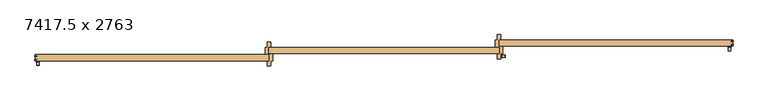
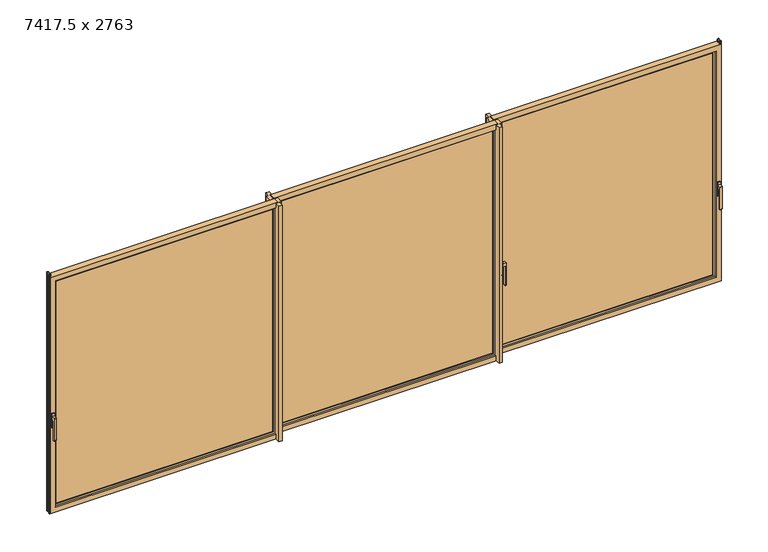
"""IFC4 building model written with IfcOpenShell, lengths in millimetres: door geometry, 7417.5 x 2763."""

from ifc_helpers import new_model, si_unit, point, frame, frame_2d, origin, place, context, project, spatial, polyline, circle_curve, trimmed, segment, composite_curve, outline, extrude, faceted_brep, source, transform, mapped, element, save
from ifc_brep_helpers import plane_surface, cylinder_surface, revolved_surface, advanced_brep


def door_7417_5_x_2763_aaa4ea98(model_context):
    return source(origin(), model_context, "Body", "SolidModel", [
        extrude(outline(composite_curve([segment(polyline([(1111.2768015, 1267.2833316), (1074.762004, 1267.2833316), (1074.762004, 1293.4897398)]), True, "CONTINUOUS"), segment(trimmed(circle_curve(frame_2d((1073.762004, 1293.4897398)), 1.0), [point((1074.762004, 1293.4897398))], [point((1073.762004, 1294.4897398))], True, "CARTESIAN"), True, "CONTINUOUS"), segment(polyline([(1073.762004, 1294.4897398), (855.7988119, 1294.4897398)]), True, "CONTINUOUS"), segment(trimmed(circle_curve(frame_2d((855.7988119, 1295.5265477)), 1.0368079), [point((855.7988119, 1294.4897398))], [point((854.762004, 1295.5265477))], False, "CARTESIAN"), True, "CONTINUOUS"), segment(polyline([(854.762004, 1295.5265477), (854.762004, 1305.2833316)]), True, "CONTINUOUS"), segment(trimmed(circle_curve(frame_2d((855.762004, 1305.2833316)), 1.0), [point((854.762004, 1305.2833316))], [point((855.762004, 1306.2833316))], False, "CARTESIAN"), True, "CONTINUOUS"), segment(polyline([(855.762004, 1306.2833316), (1110.2768015, 1306.2833316)]), True, "CONTINUOUS"), segment(trimmed(circle_curve(frame_2d((1110.2768015, 1305.2833316)), 1.0), [point((1110.2768015, 1306.2833316))], [point((1111.2768015, 1305.2833316))], False, "CARTESIAN"), True, "CONTINUOUS"), segment(polyline([(1111.2768015, 1305.2833316), (1111.2768015, 1267.2833316)]), True, "CONTINUOUS")], self_intersect=False)), frame((0.0, -88.5552339, 0.0), z_axis=(0.0, 1.0, 0.0), x_axis=(0.0, 0.0, 1.0)), (0.0, 0.0, 1.0), 25.6104678),
        extrude(outline(composite_curve([segment(trimmed(circle_curve(frame_2d((-88.6, 1139.6194028)), 3.4), [point((-92.0, 1139.6194028))], [point((-88.6, 1143.0194028))], False, "CARTESIAN"), True, "CONTINUOUS"), segment(polyline([(-88.6, 1143.0194028), (-62.9, 1143.0194028)]), True, "CONTINUOUS"), segment(trimmed(circle_curve(frame_2d((-62.9, 1139.6194028)), 3.4), [point((-62.9, 1143.0194028))], [point((-59.5, 1139.6194028))], False, "CARTESIAN"), True, "CONTINUOUS"), segment(polyline([(-59.5, 1139.6194028), (-59.5, 987.4194028)]), True, "CONTINUOUS"), segment(trimmed(circle_curve(frame_2d((-62.9, 987.4194028)), 3.4), [point((-59.5, 987.4194028))], [point((-62.9, 984.0194028))], False, "CARTESIAN"), True, "CONTINUOUS"), segment(polyline([(-62.9, 984.0194028), (-88.5559725, 984.0194028)]), True, "CONTINUOUS"), segment(trimmed(circle_curve(frame_2d((-88.5559725, 987.4634302)), 3.4440275), [point((-88.5559725, 984.0194028))], [point((-92.0, 987.4634302))], False, "CARTESIAN"), True, "CONTINUOUS"), segment(polyline([(-92.0, 987.4634302), (-92.0, 1139.6194028)]), True, "CONTINUOUS")], self_intersect=False)), frame((1256.4833316, 0.0, 0.0), z_axis=(1.0, 0.0, 0.0), x_axis=(0.0, 1.0, 0.0)), (0.0, 0.0, 1.0), 10.8),
        advanced_brep(
        [(3687.7625, 96.75, 1100.7), (3687.7625, 96.75, 910.0621417), (3682.7625, 96.75, 905.0621417), (3657.7625, 96.75, 905.0621417), (3652.7625, 96.75, 910.0621417), (3652.7625, 96.75, 1100.7), (3657.7625, 96.75, 1105.7), (3682.7625, 96.75, 1105.7), (3670.2625, 96.75, 970.1681027), (3683.3572776, 96.75, 983.2628803), (3683.3572776, 96.75, 1079.3768243), (3657.1677224, 96.75, 1079.3768243), (3657.1677224, 96.75, 983.2628803), (3687.7625, 95.75, 1100.7), (3682.7625, 95.75, 1105.7), (3657.7625, 95.75, 1105.7), (3652.7625, 95.75, 1100.7), (3652.7625, 95.75, 910.0621417), (3657.7625, 95.75, 905.0621417), (3682.7625, 95.75, 905.0621417), (3687.7625, 95.75, 910.0621417), (3684.3572776, 95.75, 1079.3768243), (3684.3572776, 95.75, 983.2628803), (3670.2625, 95.75, 969.1681027), (3656.1677224, 95.75, 983.2628803), (3656.1677224, 95.75, 1079.3768243), (3683.3572776, 86.75, 983.2628803), (3670.2625, 86.75, 970.1681027), (3657.1677224, 86.75, 983.2628803), (3657.1677224, 86.75, 1079.3768243), (3683.3572776, 86.75, 1079.3768243), (3684.3572776, 85.75, 1079.3768243), (3656.1677224, 85.75, 1079.3768243), (3656.1677224, 85.75, 983.2628803), (3670.2625, 85.75, 969.1681027), (3684.3572776, 85.75, 983.2628803)],
        [
            (0, 1),
            (1, 2, circle_curve(frame((3682.7625, 96.75, 910.0621417), z_axis=(0.0, 1.0, 0.0), x_axis=(-1.0, 0.0, 0.0)), 5.0)),
            (2, 3),
            (3, 4, circle_curve(frame((3657.7625, 96.75, 910.0621417), z_axis=(0.0, 1.0, 0.0), x_axis=(-1.0, 0.0, 0.0)), 5.0)),
            (4, 5),
            (5, 6, circle_curve(frame((3657.7625, 96.75, 1100.7), z_axis=(0.0, 1.0, 0.0), x_axis=(-1.0, 0.0, 0.0)), 5.0)),
            (6, 7),
            (7, 0, circle_curve(frame((3682.7625, 96.75, 1100.7), z_axis=(0.0, 1.0, 0.0), x_axis=(-1.0, 0.0, 0.0)), 5.0)),
            (8, 9, circle_curve(frame((3670.2625, 96.75, 983.2628803), z_axis=(0.0, -1.0, 0.0), x_axis=(-1.0, 0.0, 0.0)), 13.0947776)),
            (9, 10),
            (10, 11, circle_curve(frame((3670.2625, 96.75, 1079.3768243), z_axis=(0.0, -1.0, 0.0), x_axis=(-1.0, 0.0, 0.0)), 13.0947776)),
            (11, 12),
            (12, 8, circle_curve(frame((3670.2625, 96.75, 983.2628803), z_axis=(0.0, -1.0, 0.0), x_axis=(-1.0, 0.0, 0.0)), 13.0947776)),
            (13, 14, circle_curve(frame((3682.7625, 95.75, 1100.7), z_axis=(0.0, -1.0, 0.0), x_axis=(-1.0, 0.0, 0.0)), 5.0)),
            (14, 15),
            (15, 16, circle_curve(frame((3657.7625, 95.75, 1100.7), z_axis=(0.0, -1.0, 0.0), x_axis=(-1.0, 0.0, 0.0)), 5.0)),
            (16, 17),
            (17, 18, circle_curve(frame((3657.7625, 95.75, 910.0621417), z_axis=(0.0, -1.0, 0.0), x_axis=(-1.0, 0.0, 0.0)), 5.0)),
            (18, 19),
            (19, 20, circle_curve(frame((3682.7625, 95.75, 910.0621417), z_axis=(0.0, -1.0, 0.0), x_axis=(-1.0, 0.0, 0.0)), 5.0)),
            (20, 13),
            (21, 22),
            (22, 23, circle_curve(frame((3670.2625, 95.75, 983.2628803), z_axis=(0.0, 1.0, 0.0), x_axis=(-1.0, 0.0, 0.0)), 14.0947776)),
            (23, 24, circle_curve(frame((3670.2625, 95.75, 983.2628803), z_axis=(0.0, 1.0, 0.0), x_axis=(-1.0, 0.0, 0.0)), 14.0947776)),
            (24, 25),
            (25, 21, circle_curve(frame((3670.2625, 95.75, 1079.3768243), z_axis=(0.0, 1.0, 0.0), x_axis=(-1.0, 0.0, 0.0)), 14.0947776)),
            (0, 13),
            (20, 1),
            (19, 2),
            (18, 3),
            (17, 4),
            (16, 5),
            (15, 6),
            (14, 7),
            (26, 27, circle_curve(frame((3670.2625, 86.75, 983.2628803), z_axis=(0.0, 1.0, 0.0), x_axis=(-1.0, 0.0, 0.0)), 13.0947776)),
            (27, 28, circle_curve(frame((3670.2625, 86.75, 983.2628803), z_axis=(0.0, 1.0, 0.0), x_axis=(-1.0, 0.0, 0.0)), 13.0947776)),
            (28, 29),
            (29, 30, circle_curve(frame((3670.2625, 86.75, 1079.3768243), z_axis=(0.0, 1.0, 0.0), x_axis=(-1.0, 0.0, 0.0)), 13.0947776)),
            (30, 26),
            (26, 9),
            (8, 27),
            (12, 28),
            (11, 29),
            (10, 30),
            (31, 32, circle_curve(frame((3670.2625, 85.75, 1079.3768243), z_axis=(0.0, -1.0, 0.0), x_axis=(-1.0, 0.0, 0.0)), 14.0947776)),
            (32, 33),
            (33, 34, circle_curve(frame((3670.2625, 85.75, 983.2628803), z_axis=(0.0, -1.0, 0.0), x_axis=(-1.0, 0.0, 0.0)), 14.0947776)),
            (34, 35, circle_curve(frame((3670.2625, 85.75, 983.2628803), z_axis=(0.0, -1.0, 0.0), x_axis=(-1.0, 0.0, 0.0)), 14.0947776)),
            (35, 31),
            (35, 22),
            (21, 31),
            (34, 23),
            (33, 24),
            (32, 25),
        ],
        [
            plane_surface(frame((3687.7625, 96.75, 1100.7), z_axis=(0.0, 1.0, 0.0), x_axis=(0.0, 0.0, -1.0))),
            plane_surface(frame((3687.7625, 95.75, 1100.7), z_axis=(0.0, -1.0, 0.0), x_axis=(0.0, 0.0, 1.0))),
            plane_surface(frame((3687.7625, 96.75, 1100.7), z_axis=(1.0, 0.0, 0.0), x_axis=(0.0, -1.0, 0.0))),
            cylinder_surface(frame((3682.7625, 95.75, 910.0621417), z_axis=(0.0, 1.0, 0.0), x_axis=(-1.0, 0.0, 0.0)), 5.0),
            plane_surface(frame((3682.7625, 96.75, 905.0621417), z_axis=(0.0, 0.0, -1.0), x_axis=(0.0, -1.0, 0.0))),
            cylinder_surface(frame((3657.7625, 95.75, 910.0621417), z_axis=(0.0, 1.0, 0.0), x_axis=(-1.0, 0.0, 0.0)), 5.0),
            plane_surface(frame((3652.7625, 96.75, 910.0621417), z_axis=(-1.0, 0.0, 0.0), x_axis=(0.0, -1.0, 0.0))),
            cylinder_surface(frame((3657.7625, 95.75, 1100.7), z_axis=(0.0, 1.0, 0.0), x_axis=(-1.0, 0.0, 0.0)), 5.0),
            plane_surface(frame((3657.7625, 96.75, 1105.7), z_axis=(0.0, 0.0, 1.0), x_axis=(0.0, -1.0, 0.0))),
            cylinder_surface(frame((3682.7625, 95.75, 1100.7), z_axis=(0.0, 1.0, 0.0), x_axis=(-1.0, 0.0, 0.0)), 5.0),
            plane_surface(frame((3657.1677224, 86.75, 983.2628803), z_axis=(0.0, 1.0, 0.0), x_axis=(0.0, 0.0, -1.0))),
            revolved_surface(polyline([(3657.1677224, 96.75, 983.2628803), (3657.1677224, 86.75, 983.2628803)]), (3670.2625, 86.75, 983.2628803), (0.0, 1.0, 0.0)),
            plane_surface(frame((3657.1677224, 100.7306799, 983.2628803), z_axis=(1.0, 0.0, 0.0), x_axis=(0.0, -1.0, 0.0))),
            revolved_surface(polyline([(3657.1677224, 96.75, 1079.3768243), (3657.1677224, 86.75, 1079.3768243)]), (3670.2625, 86.75, 1079.3768243), (0.0, 1.0, 0.0)),
            plane_surface(frame((3683.3572776, 100.7306799, 1079.3768243), z_axis=(-1.0, 0.0, 0.0), x_axis=(0.0, -1.0, 0.0))),
            plane_surface(frame((3684.3572776, 85.75, 1079.3768243), z_axis=(0.0, -1.0, 0.0), x_axis=(0.0, 0.0, 1.0))),
            plane_surface(frame((3684.3572776, 96.75, 1079.3768243), z_axis=(1.0, 0.0, 0.0), x_axis=(0.0, -1.0, 0.0))),
            cylinder_surface(frame((3670.2625, 85.75, 983.2628803), z_axis=(0.0, 1.0, 0.0), x_axis=(-1.0, 0.0, 0.0)), 14.0947776),
            plane_surface(frame((3656.1677224, 96.75, 983.2628803), z_axis=(-1.0, 0.0, 0.0), x_axis=(0.0, -1.0, 0.0))),
            cylinder_surface(frame((3670.2625, 85.75, 1079.3768243), z_axis=(0.0, 1.0, 0.0), x_axis=(-1.0, 0.0, 0.0)), 14.0947776),
        ],
        [
            (0, [[1, 2, 3, 4, 5, 6, 7, 8], [9, 10, 11, 12, 13]]),
            (1, [[14, 15, 16, 17, 18, 19, 20, 21], [22, 23, 24, 25, 26]]),
            (2, [[-1, 27, -21, 28]]),
            (3, [[-2, -28, -20, 29]]),
            (4, [[-3, -29, -19, 30]]),
            (5, [[-4, -30, -18, 31]]),
            (6, [[-5, -31, -17, 32]]),
            (7, [[-6, -32, -16, 33]]),
            (8, [[-7, -33, -15, 34]]),
            (9, [[-8, -34, -14, -27]]),
            (10, [[35, 36, 37, 38, 39]]),
            (11, [[-35, 40, -9, 41]]),
            (11, [[-36, -41, -13, 42]]),
            (12, [[-37, -42, -12, 43]]),
            (13, [[-38, -43, -11, 44]]),
            (14, [[-39, -44, -10, -40]]),
            (15, [[45, 46, 47, 48, 49]]),
            (16, [[-49, 50, -22, 51]]),
            (17, [[-48, 52, -23, -50]]),
            (17, [[-47, 53, -24, -52]]),
            (18, [[-46, 54, -25, -53]]),
            (19, [[-45, -51, -26, -54]]),
        ],
    ),
        advanced_brep(
        [(-3604.6349701, -58.55, 1100.7), (-3604.6349701, -58.55, 910.0621417), (-3609.6349701, -58.55, 905.0621417), (-3634.6349701, -58.55, 905.0621417), (-3639.6349701, -58.55, 910.0621417), (-3639.6349701, -58.55, 1100.7), (-3634.6349701, -58.55, 1105.7), (-3609.6349701, -58.55, 1105.7), (-3622.1349701, -58.55, 970.1681027), (-3609.0401925, -58.55, 983.2628803), (-3609.0401925, -58.55, 1079.3768243), (-3635.2297477, -58.55, 1079.3768243), (-3635.2297477, -58.55, 983.2628803), (-3604.6349701, -59.55, 1100.7), (-3609.6349701, -59.55, 1105.7), (-3634.6349701, -59.55, 1105.7), (-3639.6349701, -59.55, 1100.7), (-3639.6349701, -59.55, 910.0621417), (-3634.6349701, -59.55, 905.0621417), (-3609.6349701, -59.55, 905.0621417), (-3604.6349701, -59.55, 910.0621417), (-3608.0401925, -59.55, 1079.3768243), (-3608.0401925, -59.55, 983.2628803), (-3622.1349701, -59.55, 969.1681027), (-3636.2297477, -59.55, 983.2628803), (-3636.2297477, -59.55, 1079.3768243), (-3609.0401925, -68.55, 983.2628803), (-3622.1349701, -68.55, 970.1681027), (-3635.2297477, -68.55, 983.2628803), (-3635.2297477, -68.55, 1079.3768243), (-3609.0401925, -68.55, 1079.3768243), (-3608.0401925, -69.55, 1079.3768243), (-3636.2297477, -69.55, 1079.3768243), (-3636.2297477, -69.55, 983.2628803), (-3622.1349701, -69.55, 969.1681027), (-3608.0401925, -69.55, 983.2628803)],
        [
            (0, 1),
            (1, 2, circle_curve(frame((-3609.6349701, -58.55, 910.0621417), z_axis=(0.0, 1.0, 0.0), x_axis=(-1.0, 0.0, 0.0)), 5.0)),
            (2, 3),
            (3, 4, circle_curve(frame((-3634.6349701, -58.55, 910.0621417), z_axis=(0.0, 1.0, 0.0), x_axis=(-1.0, 0.0, 0.0)), 5.0)),
            (4, 5),
            (5, 6, circle_curve(frame((-3634.6349701, -58.55, 1100.7), z_axis=(0.0, 1.0, 0.0), x_axis=(-1.0, 0.0, 0.0)), 5.0)),
            (6, 7),
            (7, 0, circle_curve(frame((-3609.6349701, -58.55, 1100.7), z_axis=(0.0, 1.0, 0.0), x_axis=(-1.0, 0.0, 0.0)), 5.0)),
            (8, 9, circle_curve(frame((-3622.1349701, -58.55, 983.2628803), z_axis=(0.0, -1.0, 0.0), x_axis=(-1.0, 0.0, 0.0)), 13.0947776)),
            (9, 10),
            (10, 11, circle_curve(frame((-3622.1349701, -58.55, 1079.3768243), z_axis=(0.0, -1.0, 0.0), x_axis=(-1.0, 0.0, 0.0)), 13.0947776)),
            (11, 12),
            (12, 8, circle_curve(frame((-3622.1349701, -58.55, 983.2628803), z_axis=(0.0, -1.0, 0.0), x_axis=(-1.0, 0.0, 0.0)), 13.0947776)),
            (13, 14, circle_curve(frame((-3609.6349701, -59.55, 1100.7), z_axis=(0.0, -1.0, 0.0), x_axis=(-1.0, 0.0, 0.0)), 5.0)),
            (14, 15),
            (15, 16, circle_curve(frame((-3634.6349701, -59.55, 1100.7), z_axis=(0.0, -1.0, 0.0), x_axis=(-1.0, 0.0, 0.0)), 5.0)),
            (16, 17),
            (17, 18, circle_curve(frame((-3634.6349701, -59.55, 910.0621417), z_axis=(0.0, -1.0, 0.0), x_axis=(-1.0, 0.0, 0.0)), 5.0)),
            (18, 19),
            (19, 20, circle_curve(frame((-3609.6349701, -59.55, 910.0621417), z_axis=(0.0, -1.0, 0.0), x_axis=(-1.0, 0.0, 0.0)), 5.0)),
            (20, 13),
            (21, 22),
            (22, 23, circle_curve(frame((-3622.1349701, -59.55, 983.2628803), z_axis=(0.0, 1.0, 0.0), x_axis=(-1.0, 0.0, 0.0)), 14.0947776)),
            (23, 24, circle_curve(frame((-3622.1349701, -59.55, 983.2628803), z_axis=(0.0, 1.0, 0.0), x_axis=(-1.0, 0.0, 0.0)), 14.0947776)),
            (24, 25),
            (25, 21, circle_curve(frame((-3622.1349701, -59.55, 1079.3768243), z_axis=(0.0, 1.0, 0.0), x_axis=(-1.0, 0.0, 0.0)), 14.0947776)),
            (0, 13),
            (20, 1),
            (19, 2),
            (18, 3),
            (17, 4),
            (16, 5),
            (15, 6),
            (14, 7),
            (26, 27, circle_curve(frame((-3622.1349701, -68.55, 983.2628803), z_axis=(0.0, 1.0, 0.0), x_axis=(-1.0, 0.0, 0.0)), 13.0947776)),
            (27, 28, circle_curve(frame((-3622.1349701, -68.55, 983.2628803), z_axis=(0.0, 1.0, 0.0), x_axis=(-1.0, 0.0, 0.0)), 13.0947776)),
            (28, 29),
            (29, 30, circle_curve(frame((-3622.1349701, -68.55, 1079.3768243), z_axis=(0.0, 1.0, 0.0), x_axis=(-1.0, 0.0, 0.0)), 13.0947776)),
            (30, 26),
            (26, 9),
            (8, 27),
            (12, 28),
            (11, 29),
            (10, 30),
            (31, 32, circle_curve(frame((-3622.1349701, -69.55, 1079.3768243), z_axis=(0.0, -1.0, 0.0), x_axis=(-1.0, 0.0, 0.0)), 14.0947776)),
            (32, 33),
            (33, 34, circle_curve(frame((-3622.1349701, -69.55, 983.2628803), z_axis=(0.0, -1.0, 0.0), x_axis=(-1.0, 0.0, 0.0)), 14.0947776)),
            (34, 35, circle_curve(frame((-3622.1349701, -69.55, 983.2628803), z_axis=(0.0, -1.0, 0.0), x_axis=(-1.0, 0.0, 0.0)), 14.0947776)),
            (35, 31),
            (35, 22),
            (21, 31),
            (34, 23),
            (33, 24),
            (32, 25),
        ],
        [
            plane_surface(frame((-3604.6349701, -58.55, 1100.7), z_axis=(0.0, 1.0, 0.0), x_axis=(0.0, 0.0, -1.0))),
            plane_surface(frame((-3604.6349701, -59.55, 1100.7), z_axis=(0.0, -1.0, 0.0), x_axis=(0.0, 0.0, 1.0))),
            plane_surface(frame((-3604.6349701, -58.55, 1100.7), z_axis=(1.0, 0.0, 0.0), x_axis=(0.0, -1.0, 0.0))),
            cylinder_surface(frame((-3609.6349701, -59.55, 910.0621417), z_axis=(0.0, 1.0, 0.0), x_axis=(-1.0, 0.0, 0.0)), 5.0),
            plane_surface(frame((-3609.6349701, -58.55, 905.0621417), z_axis=(0.0, 0.0, -1.0), x_axis=(0.0, -1.0, 0.0))),
            cylinder_surface(frame((-3634.6349701, -59.55, 910.0621417), z_axis=(0.0, 1.0, 0.0), x_axis=(-1.0, 0.0, 0.0)), 5.0),
            plane_surface(frame((-3639.6349701, -58.55, 910.0621417), z_axis=(-1.0, 0.0, 0.0), x_axis=(0.0, -1.0, 0.0))),
            cylinder_surface(frame((-3634.6349701, -59.55, 1100.7), z_axis=(0.0, 1.0, 0.0), x_axis=(-1.0, 0.0, 0.0)), 5.0),
            plane_surface(frame((-3634.6349701, -58.55, 1105.7), z_axis=(0.0, 0.0, 1.0), x_axis=(0.0, -1.0, 0.0))),
            cylinder_surface(frame((-3609.6349701, -59.55, 1100.7), z_axis=(0.0, 1.0, 0.0), x_axis=(-1.0, 0.0, 0.0)), 5.0),
            plane_surface(frame((-3635.2297477, -68.55, 983.2628803), z_axis=(0.0, 1.0, 0.0), x_axis=(0.0, 0.0, -1.0))),
            revolved_surface(polyline([(-3635.2297476999997, -58.55, 983.2628803), (-3635.2297476999997, -68.55, 983.2628803)]), (-3622.1349701, -68.55, 983.2628803), (0.0, 1.0, 0.0)),
            plane_surface(frame((-3635.2297477, -54.5693201, 983.2628803), z_axis=(1.0, 0.0, 0.0), x_axis=(0.0, -1.0, 0.0))),
            revolved_surface(polyline([(-3635.2297476999997, -58.55, 1079.3768243), (-3635.2297476999997, -68.55, 1079.3768243)]), (-3622.1349701, -68.55, 1079.3768243), (0.0, 1.0, 0.0)),
            plane_surface(frame((-3609.0401925, -54.5693201, 1079.3768243), z_axis=(-1.0, 0.0, 0.0), x_axis=(0.0, -1.0, 0.0))),
            plane_surface(frame((-3608.0401925, -69.55, 1079.3768243), z_axis=(0.0, -1.0, 0.0), x_axis=(0.0, 0.0, 1.0))),
            plane_surface(frame((-3608.0401925, -58.55, 1079.3768243), z_axis=(1.0, 0.0, 0.0), x_axis=(0.0, -1.0, 0.0))),
            cylinder_surface(frame((-3622.1349701, -69.55, 983.2628803), z_axis=(0.0, 1.0, 0.0), x_axis=(-1.0, 0.0, 0.0)), 14.0947776),
            plane_surface(frame((-3636.2297477, -58.55, 983.2628803), z_axis=(-1.0, 0.0, 0.0), x_axis=(0.0, -1.0, 0.0))),
            cylinder_surface(frame((-3622.1349701, -69.55, 1079.3768243), z_axis=(0.0, 1.0, 0.0), x_axis=(-1.0, 0.0, 0.0)), 14.0947776),
        ],
        [
            (0, [[1, 2, 3, 4, 5, 6, 7, 8], [9, 10, 11, 12, 13]]),
            (1, [[14, 15, 16, 17, 18, 19, 20, 21], [22, 23, 24, 25, 26]]),
            (2, [[-1, 27, -21, 28]]),
            (3, [[-2, -28, -20, 29]]),
            (4, [[-3, -29, -19, 30]]),
            (5, [[-4, -30, -18, 31]]),
            (6, [[-5, -31, -17, 32]]),
            (7, [[-6, -32, -16, 33]]),
            (8, [[-7, -33, -15, 34]]),
            (9, [[-8, -34, -14, -27]]),
            (10, [[35, 36, 37, 38, 39]]),
            (11, [[-35, 40, -9, 41]]),
            (11, [[-36, -41, -13, 42]]),
            (12, [[-37, -42, -12, 43]]),
            (13, [[-38, -43, -11, 44]]),
            (14, [[-39, -44, -10, -40]]),
            (15, [[45, 46, 47, 48, 49]]),
            (16, [[-49, 50, -22, 51]]),
            (17, [[-48, 52, -23, -50]]),
            (17, [[-47, 53, -24, -52]]),
            (18, [[-46, 54, -25, -53]]),
            (19, [[-45, -51, -26, -54]]),
        ],
    ),
        extrude(outline(composite_curve([segment(polyline([(19.0490678, 1111.2768015), (19.0490678, 1074.762004), (-7.1573405, 1074.762004)]), True, "CONTINUOUS"), segment(trimmed(circle_curve(frame_2d((-7.1573405, 1073.762004)), 1.0), [point((-7.1573405, 1074.762004))], [point((-8.1573405, 1073.762004))], True, "CARTESIAN"), True, "CONTINUOUS"), segment(polyline([(-8.1573405, 1073.762004), (-8.1573405, 855.7988119)]), True, "CONTINUOUS"), segment(trimmed(circle_curve(frame_2d((-9.1941483, 855.7988119)), 1.0368079), [point((-8.1573405, 855.7988119))], [point((-9.1941483, 854.762004))], False, "CARTESIAN"), True, "CONTINUOUS"), segment(polyline([(-9.1941483, 854.762004), (-18.9509322, 854.762004)]), True, "CONTINUOUS"), segment(trimmed(circle_curve(frame_2d((-18.9509322, 855.762004)), 1.0), [point((-18.9509322, 854.762004))], [point((-19.9509322, 855.762004))], False, "CARTESIAN"), True, "CONTINUOUS"), segment(polyline([(-19.9509322, 855.762004), (-19.9509322, 1110.2768015)]), True, "CONTINUOUS"), segment(trimmed(circle_curve(frame_2d((-18.9509322, 1110.2768015)), 1.0), [point((-19.9509322, 1110.2768015))], [point((-18.9509322, 1111.2768015))], False, "CARTESIAN"), True, "CONTINUOUS"), segment(polyline([(-18.9509322, 1111.2768015), (19.0490678, 1111.2768015)]), True, "CONTINUOUS")], self_intersect=False)), frame((3657.4572661, 0.0, 0.0), z_axis=(1.0, 0.0, 0.0), x_axis=(0.0, 1.0, 0.0)), (0.0, 0.0, 1.0), 25.6104678),
        extrude(outline(composite_curve([segment(polyline([(1139.6194028, 3654.0125), (987.4634302, 3654.0125)]), True, "CONTINUOUS"), segment(trimmed(circle_curve(frame_2d((987.4634302, 3657.4565275)), 3.4440275), [point((987.4634302, 3654.0125))], [point((984.0194028, 3657.4565275))], False, "CARTESIAN"), True, "CONTINUOUS"), segment(polyline([(984.0194028, 3657.4565275), (984.0194028, 3683.1125)]), True, "CONTINUOUS"), segment(trimmed(circle_curve(frame_2d((987.4194028, 3683.1125)), 3.4), [point((984.0194028, 3683.1125))], [point((987.4194028, 3686.5125))], False, "CARTESIAN"), True, "CONTINUOUS"), segment(polyline([(987.4194028, 3686.5125), (1139.6194028, 3686.5125)]), True, "CONTINUOUS"), segment(trimmed(circle_curve(frame_2d((1139.6194028, 3683.1125)), 3.4), [point((1139.6194028, 3686.5125))], [point((1143.0194028, 3683.1125))], False, "CARTESIAN"), True, "CONTINUOUS"), segment(polyline([(1143.0194028, 3683.1125), (1143.0194028, 3657.4125)]), True, "CONTINUOUS"), segment(trimmed(circle_curve(frame_2d((1139.6194028, 3657.4125)), 3.4), [point((1143.0194028, 3657.4125))], [point((1139.6194028, 3654.0125))], False, "CARTESIAN"), True, "CONTINUOUS")], self_intersect=False)), frame((0.0, 19.0490678, 0.0), z_axis=(0.0, 1.0, 0.0), x_axis=(0.0, 0.0, 1.0)), (0.0, 0.0, 1.0), 10.8),
        extrude(outline(composite_curve([segment(polyline([(-137.05, 1111.2768015), (-137.05, 1074.762004), (-163.2564082, 1074.762004)]), True, "CONTINUOUS"), segment(trimmed(circle_curve(frame_2d((-163.2564082, 1073.762004)), 1.0), [point((-163.2564082, 1074.762004))], [point((-164.2564082, 1073.762004))], True, "CARTESIAN"), True, "CONTINUOUS"), segment(polyline([(-164.2564082, 1073.762004), (-164.2564082, 855.7988119)]), True, "CONTINUOUS"), segment(trimmed(circle_curve(frame_2d((-165.2932161, 855.7988119)), 1.0368079), [point((-164.2564082, 855.7988119))], [point((-165.2932161, 854.762004))], False, "CARTESIAN"), True, "CONTINUOUS"), segment(polyline([(-165.2932161, 854.762004), (-175.05, 854.762004)]), True, "CONTINUOUS"), segment(trimmed(circle_curve(frame_2d((-175.05, 855.762004)), 1.0), [point((-175.05, 854.762004))], [point((-176.05, 855.762004))], False, "CARTESIAN"), True, "CONTINUOUS"), segment(polyline([(-176.05, 855.762004), (-176.05, 1110.2768015)]), True, "CONTINUOUS"), segment(trimmed(circle_curve(frame_2d((-175.05, 1110.2768015)), 1.0), [point((-176.05, 1110.2768015))], [point((-175.05, 1111.2768015))], False, "CARTESIAN"), True, "CONTINUOUS"), segment(polyline([(-175.05, 1111.2768015), (-137.05, 1111.2768015)]), True, "CONTINUOUS")], self_intersect=False)), frame((-3634.940204, 0.0, 0.0), z_axis=(1.0, 0.0, 0.0), x_axis=(0.0, 1.0, 0.0)), (0.0, 0.0, 1.0), 25.6104678),
        extrude(outline(composite_curve([segment(polyline([(1139.6194028, -3638.3849701), (987.4634302, -3638.3849701)]), True, "CONTINUOUS"), segment(trimmed(circle_curve(frame_2d((987.4634302, -3634.9409426)), 3.4440275), [point((987.4634302, -3638.3849701))], [point((984.0194028, -3634.9409426))], False, "CARTESIAN"), True, "CONTINUOUS"), segment(polyline([(984.0194028, -3634.9409426), (984.0194028, -3609.2849701)]), True, "CONTINUOUS"), segment(trimmed(circle_curve(frame_2d((987.4194028, -3609.2849701)), 3.4), [point((984.0194028, -3609.2849701))], [point((987.4194028, -3605.8849701))], False, "CARTESIAN"), True, "CONTINUOUS"), segment(polyline([(987.4194028, -3605.8849701), (1139.6194028, -3605.8849701)]), True, "CONTINUOUS"), segment(trimmed(circle_curve(frame_2d((1139.6194028, -3609.2849701)), 3.4), [point((1139.6194028, -3605.8849701))], [point((1143.0194028, -3609.2849701))], False, "CARTESIAN"), True, "CONTINUOUS"), segment(polyline([(1143.0194028, -3609.2849701), (1143.0194028, -3634.9849701)]), True, "CONTINUOUS"), segment(trimmed(circle_curve(frame_2d((1139.6194028, -3634.9849701)), 3.4), [point((1143.0194028, -3634.9849701))], [point((1139.6194028, -3638.3849701))], False, "CARTESIAN"), True, "CONTINUOUS")], self_intersect=False)), frame((0.0, -137.05, 0.0), z_axis=(0.0, 1.0, 0.0), x_axis=(0.0, 0.0, 1.0)), (0.0, 0.0, 1.0), 10.8),
        faceted_brep([(-1195.983332, -51.75, 2693.0159868), (-1195.983332, -48.25, 2693.0159868), (-1186.6833325, -48.25, 2693.0159868), (-1186.6833325, 17.75, 2693.0159868), (-1166.7833307, 17.75, 2693.0159868), (-1166.7833307, 72.75, 2693.0159868), (-1204.0833307, 72.75, 2693.0159868), (-1204.0833307, 17.75, 2693.0159868), (-1226.583332, 17.75, 2693.0159868), (-1226.583332, -56.25, 2693.0159868), (-1206.483332, -56.25, 2693.0159868), (-1206.483332, -50.55, 2693.0159868), (-1201.983332, -50.55, 2693.0159868), (-1201.983332, -56.75, 2693.0159868), (-1177.383332, -56.75, 2693.0159868), (-1177.383332, -60.25, 2693.0159868), (-1186.6833325, -60.25, 2693.0159868), (-1186.6833325, -125.75, 2693.0159868), (-1206.4213881, -125.75, 2693.0159868), (-1206.4213881, -181.25, 2693.0159868), (-1169.2833333, -181.25, 2693.0159868), (-1169.2833333, -126.25, 2693.0159868), (-1146.7833316, -126.25, 2693.0159868), (-1146.7833316, -51.75, 2693.0159868), (-1195.983332, -51.75, 0.0), (-1146.7833316, -51.75, 0.0), (-1146.7833316, -126.25, 0.0), (-1169.2833333, -126.25, 0.0), (-1169.2833333, -181.25, 0.0), (-1206.4213881, -181.25, 0.0), (-1206.4213881, -125.75, 0.0), (-1186.6833325, -125.75, 0.0), (-1186.6833325, -60.25, 0.0), (-1177.383332, -60.25, 0.0), (-1177.383332, -56.75, 0.0), (-1201.983332, -56.75, 0.0), (-1201.983332, -50.55, 0.0), (-1206.483332, -50.55, 0.0), (-1206.483332, -56.25, 0.0), (-1226.583332, -56.25, 0.0), (-1226.583332, 17.75, 0.0), (-1204.0833307, 17.75, 0.0), (-1204.0833307, 72.75, 0.0), (-1166.7833307, 72.75, 0.0), (-1166.7833307, 17.75, 0.0), (-1186.6833325, 17.75, 0.0), (-1186.6833325, -48.25, 0.0), (-1195.983332, -48.25, 0.0), (-1186.6833325, -60.25, 74.9840136), (-1226.4213885, -60.25, 74.9840136), (-1226.4213885, -60.25, 2621.0159864), (-1186.6833325, -60.25, 2621.0159864), (-1226.5833333, -107.15, 74.9840136), (-1226.5833333, -107.15, 2621.0159864), (-1226.5833333, -96.937875, 2621.0159864), (-1226.5833333, -96.937875, 74.9840136), (-1226.4213885, -72.437875, 74.9840136), (-1226.4213885, -72.437875, 59.9841018), (-1226.4213885, -72.937875, 59.9841018), (-1226.4213885, -72.937875, 2636.0158982), (-1226.4213885, -72.437875, 2636.0158982), (-1226.4213885, -72.437875, 2621.0159864), (-1211.4213885, -72.937875, 59.9841018), (-1211.4213885, -72.937875, 2636.0158982), (-1211.4213885, -96.437875, 59.9841018), (-1211.4213885, -96.437875, 74.9840136), (-1211.4213885, -96.937875, 74.9840136), (-1211.4213885, -96.937875, 2621.0159864), (-1211.4213885, -96.437875, 2621.0159864), (-1211.4213885, -96.437875, 2636.0158982), (-1206.4213881, -125.75, 2641.0), (-1206.4213881, -107.15, 2641.0), (-1206.4213881, -107.15, 55.0), (-1206.4213881, -125.75, 55.0), (-1186.6833325, -48.25, -2.0159868), (1239.0833327, -48.25, -2.0159868), (1239.0833327, -48.25, 0.0), (1219.3452769, -48.25, 0.0), (1219.3452769, -48.25, 55.0), (-1146.783332, -48.25, 55.0), (-1146.783332, -48.25, 2641.0), (1219.3452769, -48.25, 2641.0), (1219.3452769, -48.25, 2693.0159868), (1239.0833327, -48.25, 2693.0159868), (1239.0833327, -48.25, 2698.0159868), (-1186.6833325, -48.25, 2698.0159868), (-1146.783332, -28.65, 55.0), (-1146.783332, -28.65, 74.9840136), (-1146.783332, -18.5369427, 74.9840136), (-1146.783332, -18.5369427, 2621.0159864), (-1146.783332, -28.65, 2621.0159864), (-1146.783332, -28.65, 2641.0), (-1161.783332, -18.5369427, 2636.0158982), (-1161.783332, -18.5369427, 59.9841018), (-1161.783332, 5.4630573, 59.9841018), (-1161.783332, 5.4630573, 2636.0158982), (-1146.7833316, 5.4630573, 2621.0159864), (-1146.7833316, 5.4630573, 74.9840136), (-1146.7833316, 17.75, 74.9840136), (-1146.7833316, 17.75, 2621.0159864), (-1186.6833325, -59.75, -2.0159868), (-1186.6833325, -59.75, 74.9840136), (-1186.6833325, -125.75, -2.0159868), (-1186.6833325, -59.75, 2698.0159868), (-1186.6833325, -125.75, 2698.0159868), (-1186.6833325, -59.75, 2621.0159864), (-3649.4659868, -59.75, 2698.0159868), (-3649.4659868, -125.75, 2698.0159868), (-3649.4659868, -59.75, -2.0159868), (-3649.4659868, -125.75, -2.0159868), (-3572.4659864, -59.75, 2621.0159864), (-3572.4659864, -59.75, 74.9840136), (-3637.7416775, -59.75, 963.0), (-3606.5510283, -59.75, 963.0), (-3606.5510283, -59.75, 1108.0), (-3637.7416775, -59.75, 1108.0), (-3592.45, -125.75, 55.0), (-3592.45, -125.75, 2641.0), (-3572.4659864, -72.437875, 74.9840136), (-3572.4659864, -72.437875, 2621.0159864), (-3587.4658982, -72.437875, 2636.0158982), (-3587.4658982, -72.437875, 59.9841018), (-3587.4658982, -96.437875, 59.9841018), (-3592.45, -107.15, 2641.0), (-3592.45, -107.15, 55.0), (-3572.4659864, -107.15, 74.9840136), (-3572.4659864, -107.15, 2621.0159864), (-3587.4658982, -96.437875, 2636.0158982), (-3572.4659864, -96.437875, 2621.0159864), (-3572.4659864, -96.437875, 74.9840136), (1229.7833329, 26.25, 2693.0159868), (1229.7833329, 29.8490678, 2693.0159868), (1239.0833327, 29.8490678, 2693.0159868), (1239.0833327, 95.8490678, 2693.0159868), (1258.9833342, 95.8490678, 2693.0159868), (1258.9833342, 150.75, 2693.0159868), (1221.6833342, 150.75, 2693.0159868), (1221.6833342, 95.75, 2693.0159868), (1199.1833329, 95.75, 2693.0159868), (1199.1833329, 21.75, 2693.0159868), (1219.2833329, 21.75, 2693.0159868), (1219.2833329, 27.45, 2693.0159868), (1223.7833329, 27.45, 2693.0159868), (1223.7833329, 21.25, 2693.0159868), (1248.3833329, 21.25, 2693.0159868), (1248.3833329, 17.75, 2693.0159868), (1239.0833327, 17.75, 2693.0159868), (1219.3452769, -103.25, 2693.0159868), (1256.4833316, -103.25, 2693.0159868), (1256.4833316, -48.25, 2693.0159868), (1278.9833333, -48.25, 2693.0159868), (1278.9833333, 26.25, 2693.0159868), (1229.7833329, 26.25, 0.0), (1278.9833333, 26.25, 0.0), (1278.9833333, -48.25, 0.0), (1256.4833316, -48.25, 0.0), (1256.4833316, -103.25, 0.0), (1219.3452769, -103.25, 0.0), (1239.0833327, 17.75, 0.0), (1248.3833329, 17.75, 0.0), (1248.3833329, 21.25, 0.0), (1223.7833329, 21.25, 0.0), (1223.7833329, 27.45, 0.0), (1219.2833329, 27.45, 0.0), (1219.2833329, 21.75, 0.0), (1199.1833329, 21.75, 0.0), (1199.1833329, 95.75, 0.0), (1221.6833342, 95.75, 0.0), (1221.6833342, 150.75, 0.0), (1258.9833342, 150.75, 0.0), (1258.9833342, 95.8490678, 0.0), (1239.0833327, 95.8490678, 0.0), (1239.0833327, 29.8490678, 0.0), (1229.7833329, 29.8490678, 0.0), (1278.9833329, 59.562125, 74.9840136), (1278.9833329, 59.562125, 2621.0159864), (1278.9833329, 48.9490678, 2621.0159864), (1278.9833329, 48.9490678, 2641.0), (1278.9833329, 29.8490678, 2641.0), (1278.9833329, 29.8490678, 55.0), (1278.9833329, 48.9490678, 55.0), (1278.9833329, 48.9490678, 74.9840136), (1263.9833329, 59.562125, 59.9841018), (1263.9833329, 83.562125, 59.9841018), (1263.9833329, 83.562125, 2636.0158982), (1263.9833329, 59.562125, 2636.0158982), (1278.9833333, 95.8490678, 74.9840136), (1278.9833333, 95.8490678, 2621.0159864), (1278.9833333, 83.562125, 2621.0159864), (1278.9833333, 83.562125, 74.9840136), (1239.0833327, 17.75, -2.0159868), (-1186.6833325, 17.75, -2.0159868), (-1186.6833325, 17.75, 2698.0159868), (1239.0833327, 17.75, 2698.0159868), (1199.183332, 17.75, 2621.0159864), (1199.183332, 17.75, 74.9840136), (1199.183332, 5.4630573, 74.9840136), (1199.183332, 5.4630573, 2621.0159864), (1214.183332, 5.4630573, 2636.0158982), (1214.183332, 5.4630573, 59.9841018), (1214.183332, -18.5369427, 59.9841018), (1214.183332, -18.5369427, 2636.0158982), (1199.1833316, -18.5369427, 2621.0159864), (1199.1833316, -18.5369427, 74.9840136), (1199.1833316, -28.65, 74.9840136), (1199.1833316, -28.65, 2621.0159864), (1219.3452769, -28.65, 55.0), (1219.3452769, -28.65, 2641.0), (1239.0833327, 95.8490678, -2.0159868), (1239.0833327, 29.8490678, -2.0159868), (1239.0833327, 29.8490678, 2698.0159868), (1239.0833327, 95.8490678, 2698.0159868), (3701.8659868, 29.8490678, 2698.0159868), (3701.8659868, 95.8490678, 2698.0159868), (3701.8659868, 29.8490678, -2.0159868), (3644.85, 29.8490678, 2641.0), (3644.85, 29.8490678, 55.0), (3701.8659868, 95.8490678, -2.0159868), (3624.8659864, 95.8490678, 74.9840136), (3624.8659864, 95.8490678, 2621.0159864), (3655.2010283, 95.8490678, 963.0), (3686.3916775, 95.8490678, 963.0), (3686.3916775, 95.8490678, 1108.0), (3655.2010283, 95.8490678, 1108.0), (3644.85, 48.9490678, 55.0), (3644.85, 48.9490678, 2641.0), (3624.8659864, 48.9490678, 2621.0159864), (3624.8659864, 48.9490678, 74.9840136), (3624.8659864, 59.562125, 74.9840136), (3639.8658982, 59.562125, 2636.0158982), (3639.8658982, 59.562125, 59.9841018), (3624.8659864, 59.562125, 2621.0159864), (3639.8658982, 83.562125, 59.9841018), (3639.8658982, 83.562125, 2636.0158982), (3624.8659864, 83.562125, 2621.0159864), (3624.8659864, 83.562125, 74.9840136), (3655.2010283, 79.0525264, 963.0), (3686.3916775, 79.0525264, 963.0), (3686.3916775, 79.0525264, 1108.0), (3655.2010283, 79.0525264, 1108.0), (-3637.7416775, -76.2474736, 963.0), (-3606.5510283, -76.2474736, 963.0), (-3606.5510283, -76.2474736, 1108.0), (-3637.7416775, -76.2474736, 1108.0)], [[[0, 1, 2, 3, 4, 5, 6, 7, 8, 9, 10, 11, 12, 13, 14, 15, 16, 17, 18, 19, 20, 21, 22, 23]], [[24, 25, 26, 27, 28, 29, 30, 31, 32, 33, 34, 35, 36, 37, 38, 39, 40, 41, 42, 43, 44, 45, 46, 47]], [[15, 33, 32, 48, 49, 50, 51, 16]], [[52, 53, 54, 55]], [[22, 21, 27, 26]], [[23, 22, 26, 25]], [[0, 23, 25, 24]], [[50, 49, 56, 57, 58, 59, 60, 61]], [[59, 58, 62, 63]], [[63, 62, 64, 65, 66, 67, 68, 69]], [[55, 54, 67, 66]], [[29, 19, 18, 70, 71, 72, 73, 30]], [[1, 0, 24, 47]], [[1, 47, 46, 74, 75, 76, 77, 78, 79, 80, 81, 82, 83, 84, 85, 2]], [[80, 79, 86, 87, 88, 89, 90, 91]], [[92, 93, 94, 95]], [[96, 97, 98, 99]], [[5, 4, 44, 43]], [[6, 5, 43, 42]], [[7, 6, 42, 41]], [[8, 7, 41, 40]], [[9, 8, 40, 39]], [[10, 9, 39, 38]], [[11, 10, 38, 37]], [[12, 11, 37, 36]], [[13, 12, 36, 35]], [[14, 13, 35, 34]], [[15, 14, 34, 33]], [[20, 19, 29, 28]], [[21, 20, 28, 27]], [[100, 101, 48, 32, 31, 102]], [[103, 104, 17, 16, 51, 105]], [[104, 103, 106, 107]], [[107, 106, 108, 109]], [[101, 100, 108, 106, 103, 105, 110, 111], [112, 113, 114, 115]], [[104, 107, 109, 102, 31, 30, 73, 116, 117, 70, 18, 17]], [[100, 102, 109, 108]], [[101, 111, 118, 56, 49, 48]], [[118, 119, 61, 60, 120, 121, 57, 56]], [[121, 122, 64, 62, 58, 57]], [[123, 124, 72, 71], [125, 126, 53, 52]], [[124, 116, 73, 72]], [[111, 110, 119, 118]], [[121, 120, 127, 122]], [[117, 116, 124, 123]], [[110, 105, 51, 50, 61, 119]], [[127, 120, 60, 59, 63, 69]], [[117, 123, 71, 70]], [[122, 127, 69, 68, 128, 129, 65, 64]], [[129, 125, 52, 55, 66, 65]], [[126, 125, 129, 128]], [[126, 128, 68, 67, 54, 53]], [[130, 131, 132, 133, 134, 135, 136, 137, 138, 139, 140, 141, 142, 143, 144, 145, 146, 83, 82, 147, 148, 149, 150, 151]], [[152, 153, 154, 155, 156, 157, 77, 76, 158, 159, 160, 161, 162, 163, 164, 165, 166, 167, 168, 169, 170, 171, 172, 173]], [[131, 130, 152, 173]], [[174, 175, 176, 177, 178, 179, 180, 181]], [[182, 183, 184, 185]], [[186, 187, 188, 189]], [[135, 134, 170, 169]], [[136, 135, 169, 168]], [[137, 136, 168, 167]], [[138, 137, 167, 166]], [[139, 138, 166, 165]], [[140, 139, 165, 164]], [[141, 140, 164, 163]], [[142, 141, 163, 162]], [[143, 142, 162, 161]], [[144, 143, 161, 160]], [[145, 144, 160, 159]], [[145, 159, 158, 190, 191, 45, 44, 4, 3, 192, 193, 146], [194, 99, 98, 195]], [[194, 195, 196, 197]], [[198, 95, 94, 199], [197, 196, 97, 96]], [[198, 199, 200, 201]], [[201, 200, 93, 92], [202, 89, 88, 203]], [[202, 203, 204, 205]], [[205, 204, 87, 86, 206, 207, 91, 90]], [[157, 147, 82, 81, 207, 206, 78, 77]], [[148, 147, 157, 156]], [[149, 148, 156, 155]], [[150, 149, 155, 154]], [[151, 150, 154, 153]], [[130, 151, 153, 152]], [[208, 209, 172, 171]], [[210, 211, 133, 132]], [[211, 210, 212, 213]], [[212, 210, 132, 131, 173, 172, 209, 214], [215, 216, 179, 178]], [[211, 213, 217, 208, 171, 170, 134, 133], [218, 219, 187, 186], [220, 221, 222, 223]], [[209, 208, 217, 214]], [[216, 224, 180, 179]], [[224, 225, 177, 176, 226, 227, 181, 180]], [[227, 228, 174, 181]], [[229, 230, 182, 185], [228, 231, 175, 174]], [[230, 232, 183, 182]], [[232, 233, 184, 183], [234, 235, 189, 188]], [[235, 218, 186, 189]], [[225, 215, 178, 177]], [[231, 226, 176, 175]], [[233, 229, 185, 184]], [[219, 234, 188, 187]], [[216, 215, 225, 224]], [[227, 226, 231, 228]], [[230, 229, 233, 232]], [[219, 218, 235, 234]], [[213, 212, 214, 217]], [[75, 190, 158, 76]], [[193, 84, 83, 146]], [[85, 192, 3, 2]], [[191, 74, 46, 45]], [[190, 75, 74, 191]], [[97, 196, 195, 98]], [[93, 200, 199, 94]], [[203, 88, 87, 204]], [[206, 86, 79, 78]], [[89, 202, 205, 90]], [[201, 92, 95, 198]], [[197, 96, 99, 194]], [[84, 193, 192, 85]], [[91, 207, 81, 80]], [[220, 236, 237, 221]], [[222, 238, 239, 223]], [[221, 237, 238, 222]], [[237, 236, 239, 238]], [[236, 220, 223, 239]], [[240, 241, 113, 112]], [[242, 243, 115, 114]], [[243, 240, 112, 115]], [[241, 240, 243, 242]], [[241, 242, 114, 113]]]),
        extrude(outline(polyline([(-1211.4213885, -72.937875), (-1211.4213885, -96.937875), (-3587.4658982, -96.937875), (-3587.4658982, -72.937875), (-1211.4213885, -72.937875)])), frame((0.0, 0.0, 59.9841018), z_axis=(0.0, 0.0, 1.0), x_axis=(1.0, 0.0, 0.0)), (0.0, 0.0, 1.0), 2576.0317964),
        extrude(outline(polyline([(1214.183332, 5.4630573), (1214.183332, -18.5369427), (-1146.783332, -18.5369427), (-1146.783332, 5.4630573), (1214.183332, 5.4630573)])), frame((0.0, 0.0, 59.9841018), z_axis=(0.0, 0.0, 1.0), x_axis=(1.0, 0.0, 0.0)), (0.0, 0.0, 1.0), 2576.0317964),
        extrude(outline(polyline([(3639.8233099, 83.562125), (3639.8233099, 59.562125), (1263.9833329, 59.562125), (1263.9833329, 83.562125), (3639.8233099, 83.562125)])), frame((0.0, 0.0, 59.9841018), z_axis=(0.0, 0.0, 1.0), x_axis=(1.0, 0.0, 0.0)), (0.0, 0.0, 1.0), 2576.0317964),
        extrude(outline(polyline([(-3653.95, -67.3486495), (-3649.4659868, -67.3486495), (-3649.4659868, -73.45), (-3636.55, -73.45), (-3636.55, -77.75), (-3653.95, -77.75), (-3653.95, -67.3486495)])), frame((0.0, 0.0, -2.0159868), z_axis=(0.0, 0.0, 1.0), x_axis=(1.0, 0.0, 0.0)), (0.0, 0.0, 1.0), 2734.0159868),
        extrude(outline(polyline([(-3653.95, -119.1486495), (-3653.95, -108.7472991), (-3636.55, -108.7472991), (-3636.55, -113.047299), (-3649.4659868, -113.047299), (-3649.4659868, -119.1486495), (-3653.95, -119.1486495)])), frame((0.0, 0.0, -2.0159868), z_axis=(0.0, 0.0, 1.0), x_axis=(1.0, 0.0, 0.0)), (0.0, 0.0, 1.0), 2734.0159868),
        extrude(outline(polyline([(3706.35, 88.6513505), (3706.35, 78.25), (3688.95, 78.25), (3688.95, 82.55), (3701.8659868, 82.55), (3701.8659868, 88.6513505), (3706.35, 88.6513505)])), frame((0.0, 0.0, -2.0159868), z_axis=(0.0, 0.0, 1.0), x_axis=(1.0, 0.0, 0.0)), (0.0, 0.0, 1.0), 2734.0159868),
        extrude(outline(polyline([(3706.35, 36.8091893), (3701.8659868, 36.8091893), (3701.8659868, 42.9105398), (3688.95, 42.9105398), (3688.95, 47.2105398), (3706.35, 47.2105398), (3706.35, 36.8091893)])), frame((0.0, 0.0, -2.0159868), z_axis=(0.0, 0.0, 1.0), x_axis=(1.0, 0.0, 0.0)), (0.0, 0.0, 1.0), 2734.0159868),
    ])


if __name__ == "__main__":
    model = new_model("IFC4")
    model_context = context("Model", 3, world=origin())
    ifc_project = project(units=[si_unit("LENGTHUNIT", "METRE", prefix="MILLI")], contexts=[model_context])
    site = spatial("IfcSite", under=ifc_project)
    building = spatial("IfcBuilding", under=site)
    placement = place(None, origin())
    door_7417_5_x_2763_shape = door_7417_5_x_2763_aaa4ea98(model_context)
    element("IfcDoor", 1, ObjectType="7417.5 x 2763", at=placement, inside=building, context=model_context, shape_type="MappedRepresentation", body=[
        mapped(door_7417_5_x_2763_shape, transform((0.0, 0.0, 0.0), x_axis=(1.0, 0.0, 0.0), y_axis=(0.0, 1.0, 0.0), z_axis=(0.0, 0.0, 1.0))),
    ])
    save(model, "model.ifc")
